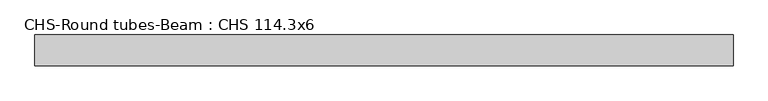
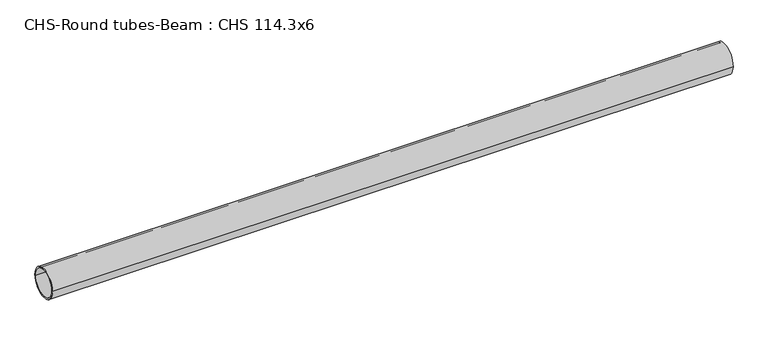
"""IFC4 building model written with IfcOpenShell, lengths in millimetres: beam geometry, CHS-Round tubes-Beam : CHS 114.3x6."""

from ifc_helpers import new_model, si_unit, point, frame, origin, origin_2d, place, context, project, spatial, circle_curve, trimmed, segment, composite_curve, outline, extrude, source, transform, mapped, element, save


def chs_round_tubes_beam_chs_114_3x6_5230887b(model_context):
    return source(origin(), model_context, "Body", "SweptSolid", [
        extrude(outline(composite_curve([segment(trimmed(circle_curve(origin_2d(), 57.15), [point((57.15, 0.0))], [point((-57.15, 0.0))], False, "CARTESIAN"), True, "CONTINUOUS"), segment(trimmed(circle_curve(origin_2d(), 57.15), [point((-57.15, 0.0))], [point((57.15, 0.0))], False, "CARTESIAN"), True, "CONTINUOUS")], self_intersect=False), holes=[composite_curve([segment(trimmed(circle_curve(origin_2d(), 51.15), [point((51.15, 0.0))], [point((-51.15, 0.0))], True, "CARTESIAN"), True, "CONTINUOUS"), segment(trimmed(circle_curve(origin_2d(), 51.15), [point((-51.15, 0.0))], [point((51.15, 0.0))], True, "CARTESIAN"), True, "CONTINUOUS")], self_intersect=False)]), frame((-1251.1939198, 0.0, 0.0), z_axis=(1.0, 0.0, 0.0), x_axis=(0.0, 1.0, 0.0)), (0.0, 0.0, 1.0), 2573.959759),
    ])


if __name__ == "__main__":
    model = new_model("IFC4")
    model_context = context("Model", 3, world=origin())
    ifc_project = project(units=[si_unit("LENGTHUNIT", "METRE", prefix="MILLI")], contexts=[model_context])
    site = spatial("IfcSite", under=ifc_project)
    building = spatial("IfcBuilding", under=site)
    placement = place(None, origin())
    chs_round_tubes_beam_chs_114_3x6_shape = chs_round_tubes_beam_chs_114_3x6_5230887b(model_context)
    element("IfcBeam", 1, ObjectType="CHS-Round tubes-Beam : CHS 114.3x6", at=placement, inside=building, context=model_context, shape_type="MappedRepresentation", body=[
        mapped(chs_round_tubes_beam_chs_114_3x6_shape, transform((0.0, 0.0, 0.0), x_axis=(1.0, 0.0, 0.0), y_axis=(0.0, 1.0, 0.0), z_axis=(0.0, 0.0, 1.0))),
    ])
    save(model, "model.ifc")
